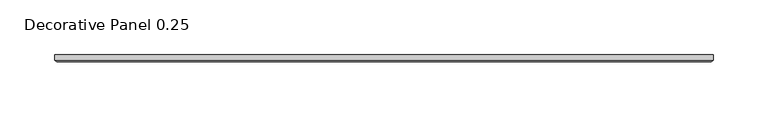
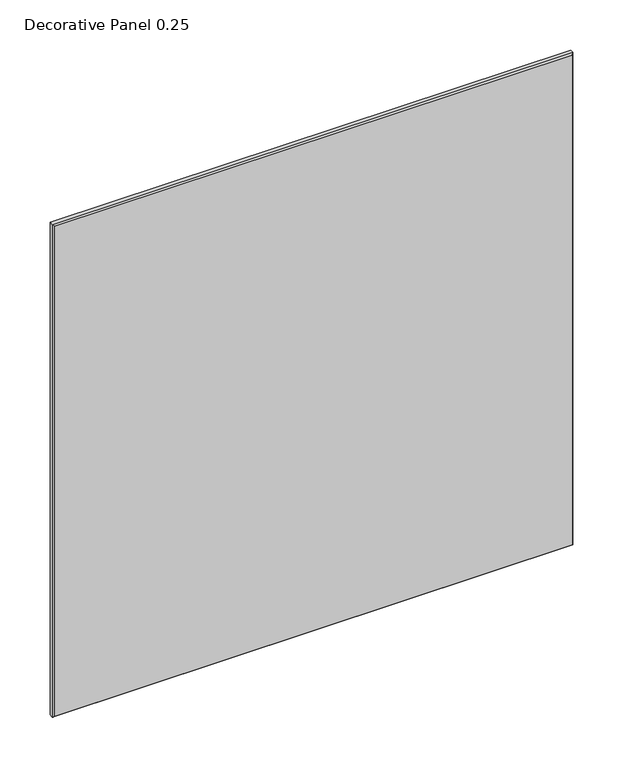
"""IFC4 building model written with IfcOpenShell, lengths in millimetres: proxy geometry, Decorative Panel 0.25."""

from ifc_helpers import new_model, si_unit, origin, place, context, project, spatial, faceted_brep, source, transform, mapped, element, save


def decorative_panel_0_25_d7b97963(model_context):
    return source(origin(), model_context, "Body", "Brep", [
        faceted_brep([(526.653125, 3.175, 599.678125), (-73.025, 3.175, 599.678125), (-73.025, -1.5875, 599.678125), (526.653125, -1.5875, 599.678125), (526.653125, 3.175, 0.0), (526.653125, -1.5875, 0.0), (-73.025, -1.5875, 0.0), (-73.025, 3.175, 0.0), (-71.4375, -3.175, 598.090625), (-71.4375, -3.175, 1.5875), (525.065625, -3.175, 1.5875), (525.065625, -3.175, 598.090625)], [[[0, 1, 2, 3]], [[4, 5, 6, 7]], [[1, 0, 4, 7]], [[2, 1, 7, 6]], [[8, 9, 10, 11]], [[0, 3, 5, 4]], [[2, 6, 9, 8]], [[5, 3, 11, 10]], [[3, 2, 8, 11]], [[6, 5, 10, 9]]]),
    ])


if __name__ == "__main__":
    model = new_model("IFC4")
    model_context = context("Model", 3, world=origin())
    ifc_project = project(units=[si_unit("LENGTHUNIT", "METRE", prefix="MILLI")], contexts=[model_context])
    site = spatial("IfcSite", under=ifc_project)
    building = spatial("IfcBuilding", under=site)
    placement = place(None, origin())
    decorative_panel_0_25_shape = decorative_panel_0_25_d7b97963(model_context)
    element("IfcBuildingElementProxy", 1, Name="Decorative Panel 0.25", ObjectType="Decorative Panel 0.25", at=placement, inside=building, context=model_context, shape_type="MappedRepresentation", body=[
        mapped(decorative_panel_0_25_shape, transform((0.0, 0.0, 0.0), x_axis=(1.0, 0.0, 0.0), y_axis=(0.0, 1.0, 0.0), z_axis=(0.0, 0.0, 1.0))),
    ])
    save(model, "model.ifc")
